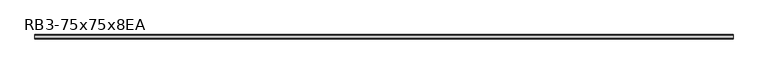
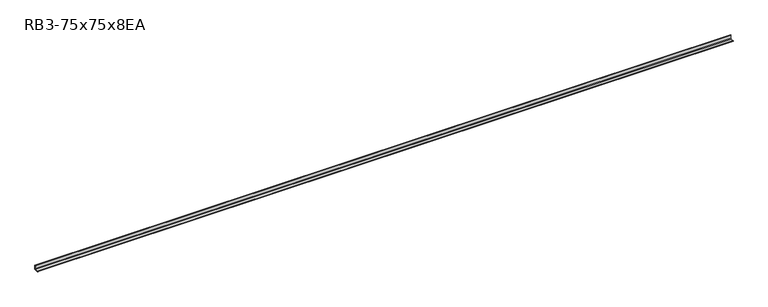
"""IFC4 building model written with IfcOpenShell, lengths in millimetres: member geometry, RB3-75x75x8EA."""

from ifc_helpers import new_model, si_unit, point, frame, frame_2d, origin, place, context, project, spatial, polyline, circle_curve, trimmed, segment, composite_curve, outline, extrude, source, transform, mapped, element, save


def rb3_75x75x8ea_712e83eb(model_context):
    return source(origin(), model_context, "Body", "SweptSolid", [
        extrude(outline(composite_curve([segment(polyline([(21.3, -21.3), (-53.7, -21.3), (-53.7, -18.3)]), True, "CONTINUOUS"), segment(trimmed(circle_curve(frame_2d((-48.7, -18.3)), 5.0), [point((-53.7, -18.3))], [point((-48.7, -13.3))], False, "CARTESIAN"), True, "CONTINUOUS"), segment(polyline([(-48.7, -13.3), (5.3, -13.3)]), True, "CONTINUOUS"), segment(trimmed(circle_curve(frame_2d((5.3, -5.3)), 8.0), [point((5.3, -13.3))], [point((13.3, -5.3))], True, "CARTESIAN"), True, "CONTINUOUS"), segment(polyline([(13.3, -5.3), (13.3, 48.7)]), True, "CONTINUOUS"), segment(trimmed(circle_curve(frame_2d((18.3, 48.7)), 5.0), [point((13.3, 48.7))], [point((18.3, 53.7))], False, "CARTESIAN"), True, "CONTINUOUS"), segment(polyline([(18.3, 53.7), (21.3, 53.7), (21.3, -21.3)]), True, "CONTINUOUS")], self_intersect=False)), frame((-6241.5, 0.0, 0.0), z_axis=(1.0, 0.0, 0.0), x_axis=(0.0, 1.0, 0.0)), (0.0, 0.0, 1.0), 12190.4128457),
    ])


if __name__ == "__main__":
    model = new_model("IFC4")
    model_context = context("Model", 3, world=origin())
    ifc_project = project(units=[si_unit("LENGTHUNIT", "METRE", prefix="MILLI")], contexts=[model_context])
    site = spatial("IfcSite", under=ifc_project)
    building = spatial("IfcBuilding", under=site)
    placement = place(None, origin())
    rb3_75x75x8ea_shape = rb3_75x75x8ea_712e83eb(model_context)
    element("IfcMember", 1, ObjectType="RB3-75x75x8EA", at=placement, inside=building, context=model_context, shape_type="MappedRepresentation", body=[
        mapped(rb3_75x75x8ea_shape, transform((0.0, 0.0, 0.0), x_axis=(1.0, 0.0, 0.0), y_axis=(0.0, 1.0, 0.0), z_axis=(0.0, 0.0, 1.0))),
    ])
    save(model, "model.ifc")
